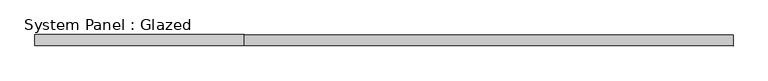
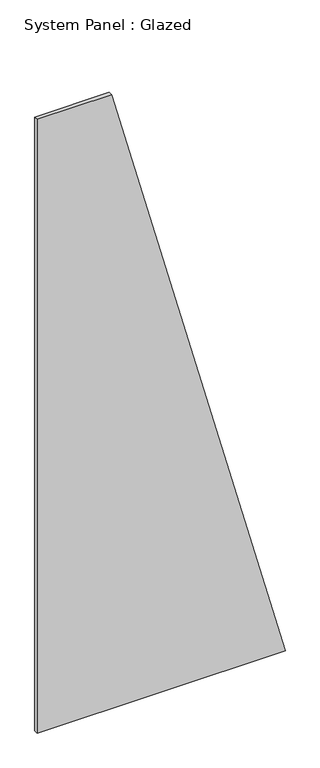
"""IFC4 building model written with IfcOpenShell, lengths in millimetres: plate geometry, System Panel : Glazed."""

from ifc_helpers import new_model, si_unit, frame, origin, place, context, project, spatial, polyline, outline, extrude, source, transform, mapped, element, save


def system_panel_glazed_12d92ec4(model_context):
    return source(origin(), model_context, "Body", "SweptSolid", [
        extrude(outline(polyline([(0.0, -799.4622976), (0.0, 799.4622976), (4175.9249296, -319.4734149), (4175.9249296, -799.4622976), (0.0, -799.4622976)])), frame((0.0, -22.5, 0.0), z_axis=(0.0, 1.0, 0.0), x_axis=(0.0, 0.0, 1.0)), (0.0, 0.0, 1.0), 25.0),
    ])


if __name__ == "__main__":
    model = new_model("IFC4")
    model_context = context("Model", 3, world=origin())
    ifc_project = project(units=[si_unit("LENGTHUNIT", "METRE", prefix="MILLI")], contexts=[model_context])
    site = spatial("IfcSite", under=ifc_project)
    building = spatial("IfcBuilding", under=site)
    placement = place(None, origin())
    system_panel_glazed_shape = system_panel_glazed_12d92ec4(model_context)
    element("IfcPlate", 1, ObjectType="System Panel : Glazed", at=placement, inside=building, context=model_context, shape_type="MappedRepresentation", body=[
        mapped(system_panel_glazed_shape, transform((0.0, 0.0, 0.0), x_axis=(1.0, 0.0, 0.0), y_axis=(0.0, 1.0, 0.0), z_axis=(0.0, 0.0, 1.0))),
    ])
    save(model, "model.ifc")
